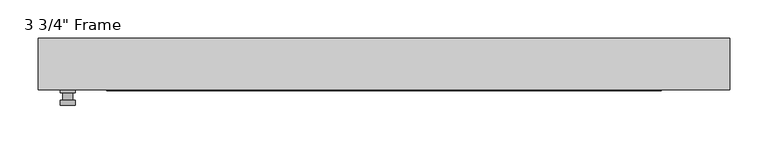
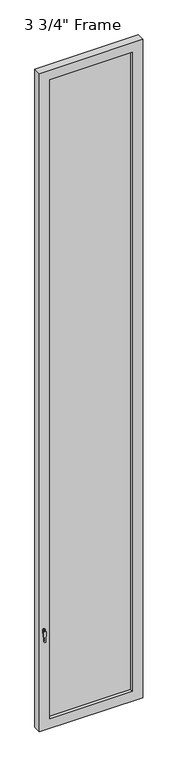
"""IFC4 building model written with IfcOpenShell, lengths in millimetres: plate geometry."""

from ifc_helpers import new_model, si_unit, frame, origin, place, context, project, spatial, polyline, circle_curve, outline, extrude, faceted_brep, source, transform, mapped, element, save
from ifc_brep_helpers import plane_surface, cylinder_surface, advanced_brep


def plate_e3a0fcc3(model_context):
    return source(origin(), model_context, "Body", "SolidModel", [
        advanced_brep(
        [(-401.6375, -33.3375, 927.1), (-401.6375, -33.3375, 901.7), (-420.6875, -33.3375, 901.7), (-420.6875, -33.3375, 927.1), (-404.8125, -46.0375, 914.4), (-417.5125, -46.0375, 914.4), (-417.5125, -36.5125, 914.4), (-404.8125, -36.5125, 914.4), (-401.6375, -46.0375, 914.4), (-404.8165356, -46.0375, 825.2736467), (-417.5084644, -46.0375, 825.2736467), (-420.6875, -46.0375, 914.4), (-401.6375, -52.3875, 914.4), (-420.6875, -52.3875, 914.4), (-417.5084644, -52.3875, 825.2736467), (-404.8165356, -52.3875, 825.2736467), (-401.6375, -36.5125, 927.1), (-420.6875, -36.5125, 927.1), (-420.6875, -36.5125, 901.7), (-401.6375, -36.5125, 901.7)],
        [
            (0, 1),
            (1, 2, circle_curve(frame((-411.1625, -33.3375, 901.7), z_axis=(0.0, 1.0, 0.0), x_axis=(-1.0, 0.0, 0.0)), 9.525)),
            (2, 3),
            (3, 0, circle_curve(frame((-411.1625, -33.3375, 927.1), z_axis=(0.0, 1.0, 0.0), x_axis=(-1.0, 0.0, 0.0)), 9.525)),
            (4, 5, circle_curve(frame((-411.1625, -46.0375, 914.4), z_axis=(0.0, 1.0, 0.0), x_axis=(-1.0, 0.0, 0.0)), 6.35)),
            (5, 6),
            (6, 7, circle_curve(frame((-411.1625, -36.5125, 914.4), z_axis=(0.0, -1.0, 0.0), x_axis=(-1.0, 0.0, 0.0)), 6.35)),
            (7, 4),
            (5, 4, circle_curve(frame((-411.1625, -46.0375, 914.4), z_axis=(0.0, 1.0, 0.0), x_axis=(-1.0, 0.0, 0.0)), 6.35)),
            (7, 6, circle_curve(frame((-411.1625, -36.5125, 914.4), z_axis=(0.0, -1.0, 0.0), x_axis=(-1.0, 0.0, 0.0)), 6.35)),
            (8, 9),
            (9, 10, circle_curve(frame((-411.1625, -46.0375, 825.5), z_axis=(0.0, 1.0, 0.0), x_axis=(-1.0, 0.0, 0.0)), 6.35)),
            (10, 11),
            (11, 8, circle_curve(frame((-411.1625, -46.0375, 914.4), z_axis=(0.0, 1.0, 0.0), x_axis=(-1.0, 0.0, 0.0)), 9.525)),
            (12, 13, circle_curve(frame((-411.1625, -52.3875, 914.4), z_axis=(0.0, -1.0, 0.0), x_axis=(-1.0, 0.0, 0.0)), 9.525)),
            (13, 14),
            (14, 15, circle_curve(frame((-411.1625, -52.3875, 825.5), z_axis=(0.0, -1.0, 0.0), x_axis=(-1.0, 0.0, 0.0)), 6.35)),
            (15, 12),
            (8, 12),
            (15, 9),
            (14, 10),
            (13, 11),
            (16, 17, circle_curve(frame((-411.1625, -36.5125, 927.1), z_axis=(0.0, -1.0, 0.0), x_axis=(-1.0, 0.0, 0.0)), 9.525)),
            (17, 18),
            (18, 19, circle_curve(frame((-411.1625, -36.5125, 901.7), z_axis=(0.0, -1.0, 0.0), x_axis=(-1.0, 0.0, 0.0)), 9.525)),
            (19, 16),
            (0, 16),
            (19, 1),
            (18, 2),
            (17, 3),
        ],
        [
            plane_surface(frame((-417.5125, -33.3375, 914.4), z_axis=(0.0, 1.0, 0.0), x_axis=(0.0, 0.0, 1.0))),
            cylinder_surface(frame((-411.1625, -46.0375, 914.4), z_axis=(0.0, 1.0, 0.0), x_axis=(-1.0, 0.0, 0.0)), 6.35),
            plane_surface(frame((-401.6375, -46.0375, 914.4), z_axis=(0.0, 1.0000000000000002, 0.0), x_axis=(-0.03564619348186888, 0.0, -0.9993644724975235))),
            plane_surface(frame((-401.6375, -52.3875, 914.4), z_axis=(0.0, -1.0000000000000002, 0.0), x_axis=(0.03564619348186888, 0.0, 0.9993644724975235))),
            plane_surface(frame((-401.6375, -46.0375, 914.4), z_axis=(0.9993644724975235, 0.0, -0.03564619348186888), x_axis=(0.0, -1.0, 0.0))),
            cylinder_surface(frame((-411.1625, -52.3875, 825.5), z_axis=(0.0, 1.0, 0.0), x_axis=(-1.0, 0.0, 0.0)), 6.35),
            plane_surface(frame((-417.5084644, -46.0375, 825.2736467), z_axis=(-0.9993644724975228, 0.0, -0.03564619348188612), x_axis=(0.0, -1.0, 0.0))),
            cylinder_surface(frame((-411.1625, -52.3875, 914.4), z_axis=(0.0, 1.0, 0.0), x_axis=(-1.0, 0.0, 0.0)), 9.525),
            plane_surface(frame((-401.6375, -36.5125, 901.7), z_axis=(0.0, -1.0, 0.0), x_axis=(0.0, 0.0, 1.0))),
            plane_surface(frame((-401.6375, -33.3375, 927.1), z_axis=(1.0, 0.0, 0.0), x_axis=(0.0, -1.0, 0.0))),
            cylinder_surface(frame((-411.1625, -36.5125, 901.7), z_axis=(0.0, 1.0, 0.0), x_axis=(-1.0, 0.0, 0.0)), 9.525),
            plane_surface(frame((-420.6875, -33.3375, 901.7), z_axis=(-1.0, 0.0, 0.0), x_axis=(0.0, -1.0, 0.0))),
            cylinder_surface(frame((-411.1625, -36.5125, 927.1), z_axis=(0.0, 1.0, 0.0), x_axis=(-1.0, 0.0, 0.0)), 9.525),
        ],
        [
            (0, [[1, 2, 3, 4]]),
            (1, [[5, 6, 7, 8]]),
            (1, [[9, -8, 10, -6]]),
            (2, [[11, 12, 13, 14], [-5, -9]]),
            (3, [[15, 16, 17, 18]]),
            (4, [[-11, 19, -18, 20]]),
            (5, [[-12, -20, -17, 21]]),
            (6, [[-13, -21, -16, 22]]),
            (7, [[-14, -22, -15, -19]]),
            (8, [[23, 24, 25, 26], [-7, -10]]),
            (9, [[-1, 27, -26, 28]]),
            (10, [[-2, -28, -25, 29]]),
            (11, [[-3, -29, -24, 30]]),
            (12, [[-4, -30, -23, -27]]),
        ],
    ),
        faceted_brep([(-449.2625, -33.3375, 0.0), (-449.2625, 33.3375, 0.0), (449.2625, 33.3375, 0.0), (449.2625, -33.3375, 0.0), (449.2625, -33.3375, 6049.9625), (-449.2625, -33.3375, 6049.9625), (-360.3625, -33.3375, 5961.0625), (360.3625, -33.3375, 5961.0625), (360.3625, -33.3375, 88.9), (-360.3625, -33.3375, 88.9), (-449.2625, 33.3375, 6049.9625), (449.2625, 33.3375, 6049.9625), (-360.3625, 33.3375, 5961.0625), (-360.3625, 33.3375, 88.9), (360.3625, 33.3375, 88.9), (360.3625, 33.3375, 5961.0625), (-354.0125, 11.90625, 5954.7125), (-354.0125, 11.90625, 95.25), (366.7125, 11.90625, 5967.4125), (-366.7125, 11.90625, 5967.4125), (-366.7125, 11.90625, 82.55), (366.7125, 11.90625, 82.55), (354.0125, 11.90625, 5954.7125), (354.0125, 11.90625, 95.25), (-366.7125, -11.90625, 5967.4125), (-366.7125, -11.90625, 82.55), (366.7125, -11.90625, 5967.4125), (366.7125, -11.90625, 82.55), (-354.0125, -11.90625, 5954.7125), (-354.0125, -11.90625, 95.25), (354.0125, -11.90625, 95.25), (354.0125, -11.90625, 5954.7125)], [[[0, 1, 2, 3]], [[0, 3, 4, 5], [6, 7, 8, 9]], [[1, 0, 5, 10]], [[2, 1, 10, 11], [12, 13, 14, 15]], [[12, 16, 17, 13]], [[18, 19, 20, 21], [16, 22, 23, 17]], [[20, 19, 24, 25]], [[24, 26, 27, 25], [28, 29, 30, 31]], [[28, 6, 9, 29]], [[5, 4, 11, 10]], [[12, 15, 22, 16]], [[19, 18, 26, 24]], [[7, 6, 28, 31]], [[4, 3, 2, 11]], [[22, 15, 14, 23]], [[27, 26, 18, 21]], [[7, 31, 30, 8]], [[9, 8, 30, 29]], [[21, 20, 25, 27]], [[17, 23, 14, 13]]]),
        extrude(outline(polyline([(366.7125, -11.90625), (-366.7125, -11.90625), (-366.7125, 11.90625), (366.7125, 11.90625), (366.7125, -11.90625)])), frame((0.0, 0.0, 82.55), z_axis=(0.0, 0.0, 1.0), x_axis=(1.0, 0.0, 0.0)), (0.0, 0.0, 1.0), 5884.8625),
    ])


if __name__ == "__main__":
    model = new_model("IFC4")
    model_context = context("Model", 3, world=origin())
    ifc_project = project(units=[si_unit("LENGTHUNIT", "METRE", prefix="MILLI")], contexts=[model_context])
    site = spatial("IfcSite", under=ifc_project)
    building = spatial("IfcBuilding", under=site)
    placement = place(None, origin())
    plate_shape = plate_e3a0fcc3(model_context)
    element("IfcPlate", 1, ObjectType="3 3/4\" Frame", at=placement, inside=building, context=model_context, shape_type="MappedRepresentation", body=[
        mapped(plate_shape, transform((0.0, 0.0, 0.0), x_axis=(1.0, 0.0, 0.0), y_axis=(0.0, 1.0, 0.0), z_axis=(0.0, 0.0, 1.0))),
    ])
    save(model, "model.ifc")
